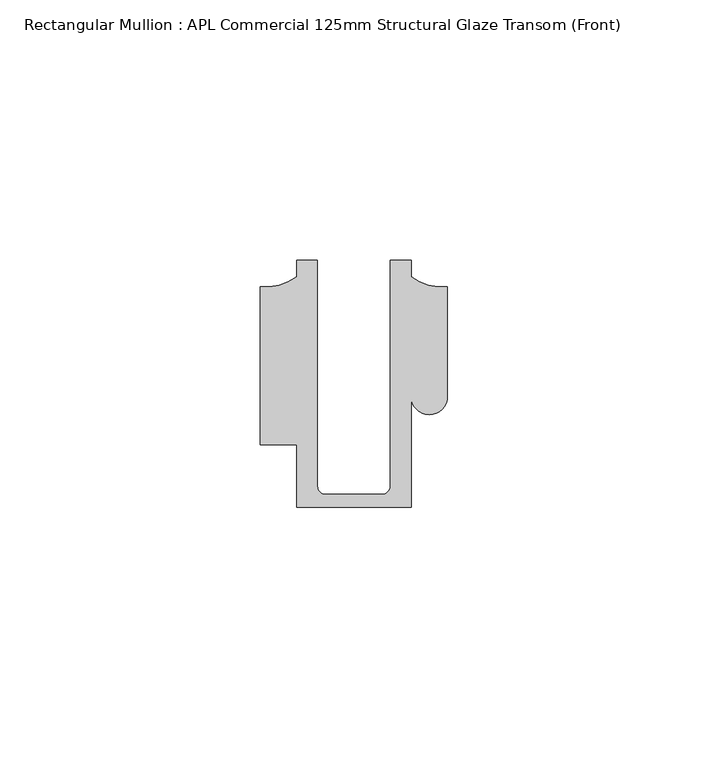
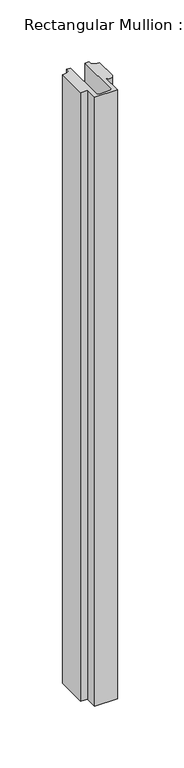
"""IFC4 building model written with IfcOpenShell, lengths in millimetres: member geometry, Rectangular Mullion : APL Commercial 125mm Structural Glaze Transom (Front)."""

from ifc_helpers import new_model, si_unit, frame, origin, place, context, project, spatial, polyline, circle_curve, source, transform, mapped, element, save
from ifc_brep_helpers import plane_surface, cylinder_surface, revolved_surface, advanced_brep


def rectangular_mullion_apl_commercial_125mm_structural_glaze_8f85a279(model_context):
    return source(origin(), model_context, "Body", "AdvancedBrep", [
        advanced_brep(
        [(-11.0000151, -27.0, 0.0), (11.001071, -27.0, 0.0), (11.001071, -5.5848769, 0.0), (17.9999091, -5.6750512, 0.0), (17.9999542, 15.3797475, 0.0), (11.0000151, 17.3125212, 0.0), (11.0000151, 20.5, 0.0), (6.9999849, 20.5, 0.0), (6.9999849, -22.9973451, 0.0), (5.4999872, -24.5, 0.0), (-5.4999873, -24.5, 0.0), (-6.9999853, -22.9976091, 0.0), (-6.9999853, 20.5, 0.0), (-10.9999994, 20.5, 0.0), (-10.9999994, 17.3125325, 0.0), (-17.9999542, 15.3797475, 0.0), (-17.9999542, -15.0006281, 0.0), (-11.0000151, -15.0006281, 0.0), (-11.0000151, -27.0, -624.3722924), (-11.0000151, -15.0006281, -624.3722924), (-17.9999542, -15.0006281, -624.3722924), (-17.9999542, 15.3797475, -624.3722924), (-10.9999994, 17.3125325, -624.3722924), (-10.9999994, 20.5, -624.3722924), (-6.9999853, 20.5, -624.3722924), (-6.9999853, -22.9976091, -624.3722924), (-5.4999873, -24.5, -624.3722924), (5.4999872, -24.5, -624.3722924), (6.9999849, -22.9973451, -624.3722924), (6.9999849, 20.5, -624.3722924), (11.0000151, 20.5, -624.3722924), (11.0000151, 17.3125212, -624.3722924), (17.9999542, 15.3797475, -624.3722924), (17.9999542, -5.684606, -624.3722924), (11.001071, -5.5848769, -624.3722924), (11.001071, -27.0, -624.3722924)],
        [
            (0, 1),
            (1, 2),
            (2, 3, circle_curve(frame((14.4999091, -5.6750512, 0.0), z_axis=(0.0, 0.0, 1.0), x_axis=(-0.9999826028573957, 0.005898642432633649, 0.0)), 3.5)),
            (3, 4),
            (4, 5, circle_curve(frame((17.109817, 25.7981812, 0.0), z_axis=(0.0, 0.0, -1.0), x_axis=(0.0, -1.0, 0.0)), 10.4563907)),
            (5, 6),
            (6, 7),
            (7, 8),
            (8, 9, circle_curve(frame((5.4999872, -23.0, 0.0), z_axis=(0.0, 0.0, -1.0), x_axis=(0.9999999999999986, 5.463622857820516e-08, 0.0)), 1.5)),
            (9, 10),
            (10, 11, circle_curve(frame((-5.4999873, -23.0, 0.0), z_axis=(0.0, 0.0, -1.0), x_axis=(2.7320010112268853e-08, -0.9999999999999997, 0.0)), 1.5)),
            (11, 12),
            (12, 13),
            (13, 14),
            (14, 15, circle_curve(frame((-17.109817, 25.7981812, 0.0), z_axis=(0.0, 0.0, -1.0), x_axis=(0.0, -1.0, 0.0)), 10.4563907)),
            (15, 16),
            (16, 17),
            (17, 0),
            (18, 19),
            (19, 20),
            (20, 21),
            (21, 22, circle_curve(frame((-17.109817, 25.7981812, -624.3722924), z_axis=(0.0, 0.0, 1.0), x_axis=(0.0, -1.0, 0.0)), 10.4563907)),
            (22, 23),
            (23, 24),
            (24, 25),
            (25, 26, circle_curve(frame((-5.4999873, -23.0, -624.3722924), z_axis=(0.0, 0.0, 1.0), x_axis=(2.7320010112268853e-08, -0.9999999999999997, 0.0)), 1.5)),
            (26, 27),
            (27, 28, circle_curve(frame((5.4999872, -23.0, -624.3722924), z_axis=(0.0, 0.0, 1.0), x_axis=(0.9999999999999986, 5.463622857820516e-08, 0.0)), 1.5)),
            (28, 29),
            (29, 30),
            (30, 31),
            (31, 32, circle_curve(frame((17.109817, 25.7981812, -624.3722924), z_axis=(0.0, 0.0, 1.0), x_axis=(0.0, -1.0, 0.0)), 10.4563907)),
            (32, 33),
            (33, 34, circle_curve(frame((14.4999091, -5.6750512, -624.3722924), z_axis=(0.0, 0.0, -1.0), x_axis=(-0.9999826028573957, 0.005898642432633649, 0.0)), 3.5)),
            (34, 35),
            (35, 18),
            (0, 18),
            (35, 1),
            (34, 2),
            (33, 3),
            (32, 4),
            (31, 5),
            (30, 6),
            (29, 7),
            (28, 8),
            (27, 9),
            (26, 10),
            (25, 11),
            (24, 12),
            (23, 13),
            (22, 14),
            (21, 15),
            (20, 16),
            (19, 17),
        ],
        [
            plane_surface(frame((0.0, -29.1551636, 0.0), z_axis=(0.0, 0.0, 1.0), x_axis=(-1.0, 0.0, 0.0))),
            plane_surface(frame((0.0, -29.1551636, -624.3722924), z_axis=(0.0, 0.0, -1.0), x_axis=(-1.0, 0.0, 0.0))),
            plane_surface(frame((-11.0000151, -27.0, 0.0), z_axis=(0.0, -1.0, 0.0), x_axis=(0.0, 0.0, -1.0))),
            plane_surface(frame((11.001071, -27.0, 0.0), z_axis=(1.0, 0.0, 0.0), x_axis=(0.0, 0.0, -1.0))),
            cylinder_surface(frame((14.4999091, -5.6750512, 0.0), z_axis=(0.0, 0.0, 1.0), x_axis=(-0.9999826028573957, 0.005898642432633649, 0.0)), 3.5),
            plane_surface(frame((17.9999542, -5.684606, 0.0), z_axis=(1.0, 0.0, 0.0), x_axis=(0.0, 0.0, -1.0))),
            revolved_surface(polyline([(17.109817, 15.341790499999998, -624.3722924), (17.109817, 15.341790499999998, 0.0)]), (17.109817, 25.7981812, 0.0), (0.0, 0.0, -1.0)),
            plane_surface(frame((11.0000151, 17.3125212, 0.0), z_axis=(1.0, 0.0, 0.0), x_axis=(0.0, 0.0, -1.0))),
            plane_surface(frame((11.0000151, 20.5, 0.0), z_axis=(0.0, 1.0, 0.0), x_axis=(0.0, 0.0, -1.0))),
            plane_surface(frame((6.9999849, 20.5, 0.0), z_axis=(-1.0, 0.0, 0.0), x_axis=(0.0, 0.0, -1.0))),
            revolved_surface(polyline([(6.999987199999998, -22.999999918045656, -624.3722924), (6.999987199999998, -22.999999918045656, 0.0)]), (5.4999872, -23.0, 0.0), (0.0, 0.0, -1.0)),
            plane_surface(frame((5.4999872, -24.5, 0.0), z_axis=(0.0, 1.0, 0.0), x_axis=(0.0, 0.0, -1.0))),
            revolved_surface(polyline([(-5.499987259019985, -24.5, -624.3722924), (-5.499987259019985, -24.5, 0.0)]), (-5.4999873, -23.0, 0.0), (0.0, 0.0, -1.0)),
            plane_surface(frame((-6.9999853, -22.9976091, 0.0), z_axis=(1.0, 0.0, 0.0), x_axis=(0.0, 0.0, -1.0))),
            plane_surface(frame((-6.9999853, 20.5, 0.0), z_axis=(0.0, 1.0, 0.0), x_axis=(0.0, 0.0, -1.0))),
            plane_surface(frame((-10.9999994, 20.5, 0.0), z_axis=(-1.0, 0.0, 0.0), x_axis=(0.0, 0.0, -1.0))),
            revolved_surface(polyline([(-17.109817, 15.341790499999998, -624.3722924), (-17.109817, 15.341790499999998, 0.0)]), (-17.109817, 25.7981812, 0.0), (0.0, 0.0, -1.0)),
            plane_surface(frame((-17.9999542, 15.3797475, 0.0), z_axis=(-1.0, 0.0, 0.0), x_axis=(0.0, 0.0, -1.0))),
            plane_surface(frame((-17.9999542, -15.0006281, 0.0), z_axis=(0.0, -1.0, 0.0), x_axis=(0.0, 0.0, -1.0))),
            plane_surface(frame((-11.0000151, -15.0006281, 0.0), z_axis=(-1.0, 0.0, 0.0), x_axis=(0.0, 0.0, -1.0))),
        ],
        [
            (0, [[1, 2, 3, 4, 5, 6, 7, 8, 9, 10, 11, 12, 13, 14, 15, 16, 17, 18]]),
            (1, [[19, 20, 21, 22, 23, 24, 25, 26, 27, 28, 29, 30, 31, 32, 33, 34, 35, 36]]),
            (2, [[-1, 37, -36, 38]]),
            (3, [[-2, -38, -35, 39]]),
            (4, [[-3, -39, -34, 40]]),
            (5, [[-4, -40, -33, 41]]),
            (6, [[-5, -41, -32, 42]]),
            (7, [[-6, -42, -31, 43]]),
            (8, [[-7, -43, -30, 44]]),
            (9, [[-8, -44, -29, 45]]),
            (10, [[-9, -45, -28, 46]]),
            (11, [[-10, -46, -27, 47]]),
            (12, [[-11, -47, -26, 48]]),
            (13, [[-12, -48, -25, 49]]),
            (14, [[-13, -49, -24, 50]]),
            (15, [[-14, -50, -23, 51]]),
            (16, [[-15, -51, -22, 52]]),
            (17, [[-16, -52, -21, 53]]),
            (18, [[-17, -53, -20, 54]]),
            (19, [[-18, -54, -19, -37]]),
        ],
    ),
    ])


if __name__ == "__main__":
    model = new_model("IFC4")
    model_context = context("Model", 3, world=origin())
    ifc_project = project(units=[si_unit("LENGTHUNIT", "METRE", prefix="MILLI")], contexts=[model_context])
    site = spatial("IfcSite", under=ifc_project)
    building = spatial("IfcBuilding", under=site)
    placement = place(None, origin())
    rectangular_mullion_apl_commercial_125mm_structural_glaze_shape = rectangular_mullion_apl_commercial_125mm_structural_glaze_8f85a279(model_context)
    element("IfcMember", 1, ObjectType="Rectangular Mullion : APL Commercial 125mm Structural Glaze Transom (Front)", at=placement, inside=building, context=model_context, shape_type="MappedRepresentation", body=[
        mapped(rectangular_mullion_apl_commercial_125mm_structural_glaze_shape, transform((0.0, 0.0, 0.0), x_axis=(1.0, 0.0, 0.0), y_axis=(0.0, 1.0, 0.0), z_axis=(0.0, 0.0, 1.0))),
    ])
    save(model, "model.ifc")
